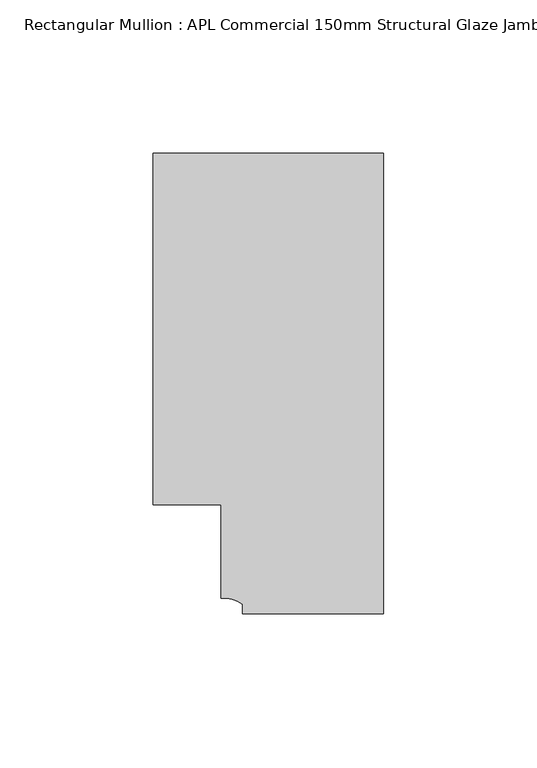
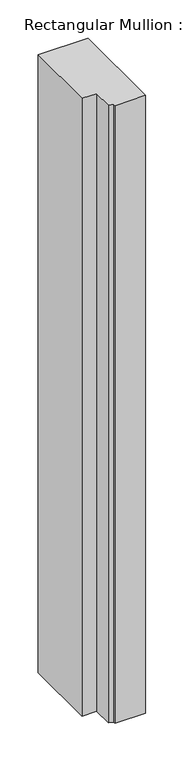
"""IFC4 building model written with IfcOpenShell, lengths in millimetres: member geometry, Rectangular Mullion : APL Commercial 150mm Structural Glaze Jamb Frame (right)."""

from ifc_helpers import new_model, si_unit, point, frame, frame_2d, origin, place, context, project, spatial, polyline, circle_curve, trimmed, segment, composite_curve, outline, extrude, source, transform, mapped, element, save


def rectangular_mullion_apl_commercial_150mm_structural_glaze_b3fea125(model_context):
    return source(origin(), model_context, "Body", "SweptSolid", [
        extrude(outline(composite_curve([segment(polyline([(0.0, -20.5), (-46.0, -20.5), (-46.0, -17.3125212)]), True, "CONTINUOUS"), segment(trimmed(circle_curve(frame_2d((-52.1098019, -25.7981812)), 10.4563907), [point((-46.0, -17.3125212))], [point((-52.9999391, -15.3797475))], True, "CARTESIAN"), True, "CONTINUOUS"), segment(polyline([(-52.9999391, -15.3797475), (-52.9999391, 15.0000829), (-75.0, 15.0000829), (-75.0, 129.4999988), (0.0, 129.4999988), (0.0, -20.5)]), True, "CONTINUOUS")], self_intersect=False)), frame((0.0, 0.0, -983.3198634), z_axis=(0.0, 0.0, 1.0), x_axis=(1.0, 0.0, 0.0)), (0.0, 0.0, 1.0), 983.3198634),
    ])


if __name__ == "__main__":
    model = new_model("IFC4")
    model_context = context("Model", 3, world=origin())
    ifc_project = project(units=[si_unit("LENGTHUNIT", "METRE", prefix="MILLI")], contexts=[model_context])
    site = spatial("IfcSite", under=ifc_project)
    building = spatial("IfcBuilding", under=site)
    placement = place(None, origin())
    rectangular_mullion_apl_commercial_150mm_structural_glaze_shape = rectangular_mullion_apl_commercial_150mm_structural_glaze_b3fea125(model_context)
    element("IfcMember", 1, ObjectType="Rectangular Mullion : APL Commercial 150mm Structural Glaze Jamb Frame (right)", at=placement, inside=building, context=model_context, shape_type="MappedRepresentation", body=[
        mapped(rectangular_mullion_apl_commercial_150mm_structural_glaze_shape, transform((0.0, 0.0, 0.0), x_axis=(1.0, 0.0, 0.0), y_axis=(0.0, 1.0, 0.0), z_axis=(0.0, 0.0, 1.0))),
    ])
    save(model, "model.ifc")
